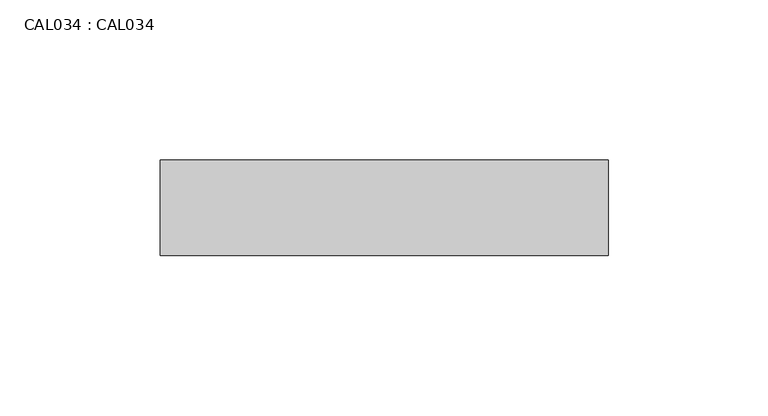
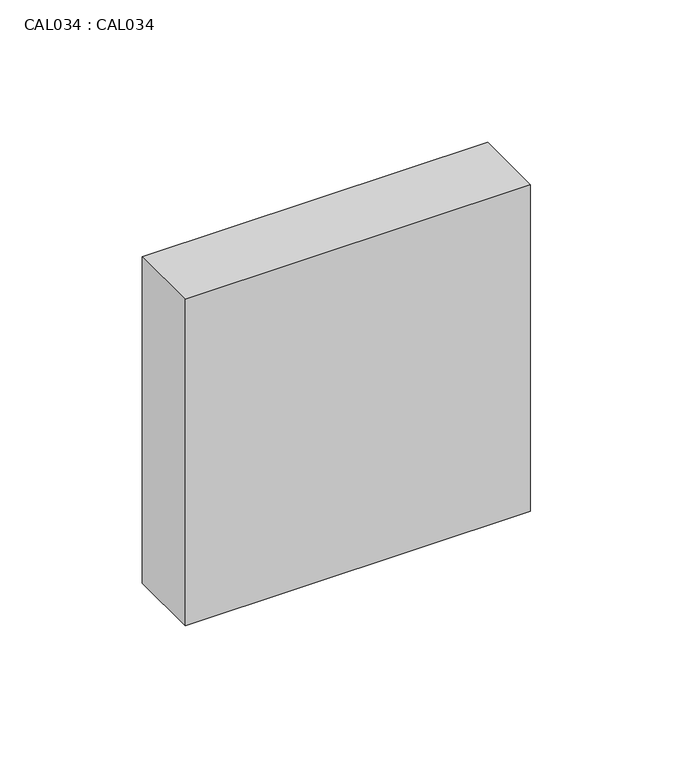
"""IFC4 building model written with IfcOpenShell, lengths in millimetres: proxy geometry, CAL034 : CAL034."""

from ifc_helpers import new_model, si_unit, frame, origin, place, context, project, spatial, polyline, outline, extrude, source, transform, mapped, element, save


def cal034_cal034_3adae176(model_context):
    return source(origin(), model_context, "Body", "SweptSolid", [
        extrude(outline(polyline([(-70.0, 0.0), (70.0, 0.0), (70.0, -30.0), (-70.0, -30.0), (-70.0, 0.0)])), frame((0.0, 0.0, -70.0), z_axis=(0.0, 0.0, 1.0), x_axis=(1.0, 0.0, 0.0)), (0.0, 0.0, 1.0), 140.0),
    ])


if __name__ == "__main__":
    model = new_model("IFC4")
    model_context = context("Model", 3, world=origin())
    ifc_project = project(units=[si_unit("LENGTHUNIT", "METRE", prefix="MILLI")], contexts=[model_context])
    site = spatial("IfcSite", under=ifc_project)
    building = spatial("IfcBuilding", under=site)
    placement = place(None, origin())
    cal034_cal034_shape = cal034_cal034_3adae176(model_context)
    element("IfcBuildingElementProxy", 1, Name="CAL034 : CAL034", ObjectType="CAL034 : CAL034", at=placement, inside=building, context=model_context, shape_type="MappedRepresentation", body=[
        mapped(cal034_cal034_shape, transform((0.0, 0.0, 0.0), x_axis=(1.0, 0.0, 0.0), y_axis=(0.0, 1.0, 0.0), z_axis=(0.0, 0.0, 1.0))),
    ])
    save(model, "model.ifc")
